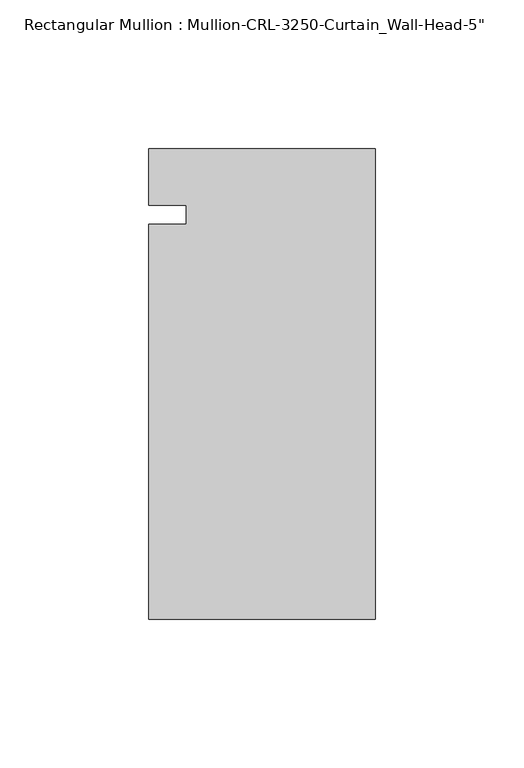
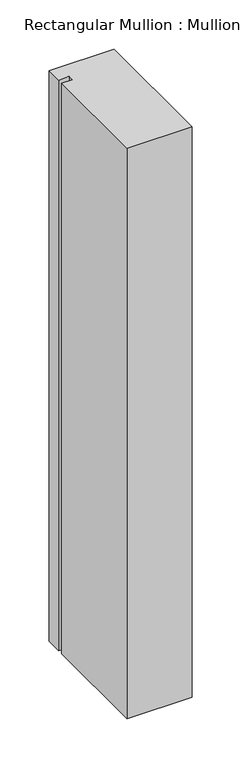
"""IFC4 building model written with IfcOpenShell, lengths in millimetres: member geometry."""

from ifc_helpers import new_model, si_unit, frame, origin, place, context, project, spatial, polyline, outline, extrude, source, transform, mapped, element, save


def member_14dcde21(model_context):
    return source(origin(), model_context, "Body", "SweptSolid", [
        extrude(outline(polyline([(0.0, 22.2254168), (0.0, -136.0164463), (-76.199997, -136.0164463), (-76.199997, -3.175), (-63.499997, -3.175), (-63.499997, 3.175), (-76.199997, 3.175), (-76.199997, 22.2254168), (0.0, 22.2254168)])), frame((0.0, 0.0, -707.5194653), z_axis=(0.0, 0.0, 1.0), x_axis=(1.0, 0.0, 0.0)), (0.0, 0.0, 1.0), 707.5194653),
    ])


if __name__ == "__main__":
    model = new_model("IFC4")
    model_context = context("Model", 3, world=origin())
    ifc_project = project(units=[si_unit("LENGTHUNIT", "METRE", prefix="MILLI")], contexts=[model_context])
    site = spatial("IfcSite", under=ifc_project)
    building = spatial("IfcBuilding", under=site)
    placement = place(None, origin())
    member_shape = member_14dcde21(model_context)
    element("IfcMember", 1, ObjectType="Rectangular Mullion : Mullion-CRL-3250-Curtain_Wall-Head-5\"", at=placement, inside=building, context=model_context, shape_type="MappedRepresentation", body=[
        mapped(member_shape, transform((0.0, 0.0, 0.0), x_axis=(1.0, 0.0, 0.0), y_axis=(0.0, 1.0, 0.0), z_axis=(0.0, 0.0, 1.0))),
    ])
    save(model, "model.ifc")
